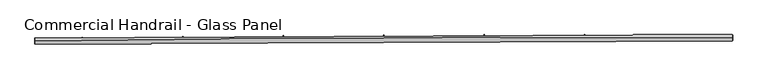
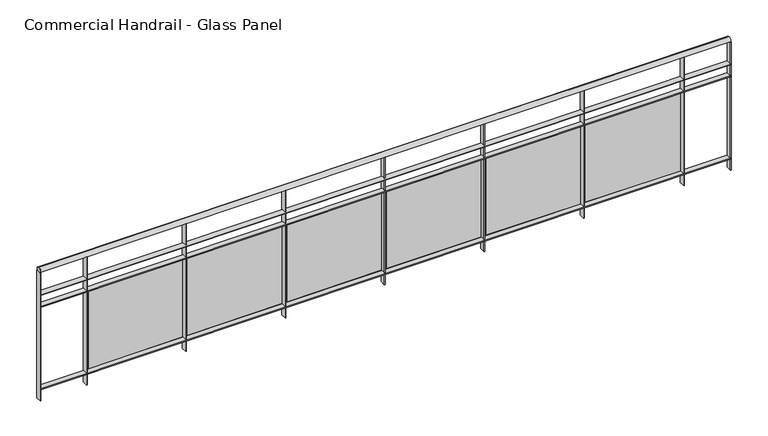
"""IFC4 building model written with IfcOpenShell, lengths in millimetres: railing geometry, Commercial Handrail - Glass Panel."""

from ifc_helpers import new_model, si_unit, point, frame, origin, place, context, project, spatial, polyline, circle_curve, ellipse_curve, trimmed, outline, extrude, source, transform, mapped, element, save
from ifc_brep_helpers import plane_surface, cylinder_surface, revolved_surface, advanced_brep


def commercial_handrail_glass_panel_66348fa7(model_context):
    return source(origin(), model_context, "Body", "SolidModel", [
        advanced_brep(
        [(99695.5207842, -31501.488128, 6082.5), (105244.6880932, -31476.3541341, 6082.5), (105244.6880932, -31476.3541341, 6117.5), (99695.5207842, -31501.488128, 6117.5)],
        [
            (0, 1, circle_curve(frame((103958.1605732, -360026.9365691, 6082.5), z_axis=(0.0, 0.0, -1.0), x_axis=(0.003915736953513462, 0.9999923334726676, 0.0)), 328553.1012963)),
            (1, 2, ellipse_curve(frame((105244.6880932, -31476.3541341, 6100.0), z_axis=(-0.9999923334726678, 0.003915736953507024, 0.0), x_axis=(0.003915736953507023, 0.9999923334726676, 0.0)), 25.0, 17.5)),
            (2, 3, circle_curve(frame((103958.1605732, -360026.9365691, 6117.5), z_axis=(0.0, 0.0, 1.0), x_axis=(0.003915736953513462, 0.9999923334726676, 0.0)), 328553.1012963)),
            (3, 0, ellipse_curve(frame((99695.5207842, -31501.488128, 6100.0), z_axis=(0.9999158344417998, 0.012973975202676302, 0.0), x_axis=(-0.012973975202676298, 0.9999158344417995, 0.0)), 25.0, 17.5)),
            (2, 1, ellipse_curve(frame((105244.6880932, -31476.3541341, 6100.0), z_axis=(-0.9999923334726678, 0.003915736953507024, 0.0), x_axis=(0.003915736953507023, 0.9999923334726676, 0.0)), 25.0, 17.5)),
            (0, 3, ellipse_curve(frame((99695.5207842, -31501.488128, 6100.0), z_axis=(0.9999158344417998, 0.012973975202676302, 0.0), x_axis=(-0.012973975202676298, 0.9999158344417995, 0.0)), 25.0, 17.5)),
        ],
        [
            revolved_surface(trimmed(ellipse_curve(frame((105244.6880932, -31476.3541341, 6100.0), z_axis=(0.9999923334726676, -0.003915736953513463, 0.0), x_axis=(0.0, 0.0, -1.0)), 17.5, 25.0), [point((105244.6880932, -31476.3541341, 6117.5))], [point((105244.6880932, -31476.3541341, 6082.5))], True, "CARTESIAN"), (103958.1605732, -360026.9365691, 6100.0), (0.0, 0.0, 1.0)),
            revolved_surface(trimmed(ellipse_curve(frame((105244.6880932, -31476.3541341, 6100.0), z_axis=(0.9999923334726676, -0.003915736953513463, 0.0), x_axis=(0.0, 0.0, -1.0)), 17.5, 25.0), [point((105244.6880932, -31476.3541341, 6082.5))], [point((105244.6880932, -31476.3541341, 6117.5))], True, "CARTESIAN"), (103958.1605732, -360026.9365691, 6100.0), (0.0, 0.0, 1.0)),
            plane_surface(frame((105244.6880932, -31476.3541341, 6100.0), z_axis=(0.9999923334726677, -0.003915736953513464, 0.0), x_axis=(0.003915736953513464, 0.9999923334726677, 0.0))),
            plane_surface(frame((99695.5207842, -31501.488128, 6100.0), z_axis=(-0.9999158344417997, -0.012973975202676328, 0.0), x_axis=(0.012973975202676328, -0.9999158344417997, 0.0))),
        ],
        [
            (0, [[1, 2, 3, 4]]),
            (1, [[-3, 5, -1, 6]]),
            (2, [[-2, -5]]),
            (3, [[-6, -4]]),
        ],
    ),
        advanced_brep(
        [(99695.8126987, -31523.9862342, 5900.0), (105244.5999891, -31498.8539616, 5900.0), (105244.7761972, -31453.8543066, 5900.0), (99695.2288698, -31478.9900217, 5900.0), (99695.8126987, -31523.9862342, 5894.0), (105244.5999891, -31498.8539616, 5894.0), (99695.2288698, -31478.9900217, 5894.0), (105244.7761972, -31453.8543066, 5894.0)],
        [
            (0, 1, circle_curve(frame((103958.1605732, -360026.9365691, 5900.0), z_axis=(0.0, 0.0, -1.0), x_axis=(0.003915736953513462, 0.9999923334726676, 0.0)), 328530.6012963)),
            (1, 2),
            (2, 3, circle_curve(frame((103958.1605732, -360026.9365691, 5900.0), z_axis=(0.0, 0.0, 1.0), x_axis=(0.003915736953513462, 0.9999923334726676, 0.0)), 328575.6012963)),
            (3, 0),
            (4, 5, circle_curve(frame((103958.1605732, -360026.9365691, 5894.0), z_axis=(0.0, 0.0, -1.0), x_axis=(0.003915736953513462, 0.9999923334726676, 0.0)), 328530.6012963)),
            (5, 1),
            (0, 4),
            (6, 7, circle_curve(frame((103958.1605732, -360026.9365691, 5894.0), z_axis=(0.0, 0.0, -1.0), x_axis=(0.003915736953513462, 0.9999923334726676, 0.0)), 328575.6012963)),
            (7, 5),
            (4, 6),
            (2, 7),
            (6, 3),
        ],
        [
            plane_surface(frame((103958.1605732, -360026.9365691, 5900.0), z_axis=(0.0, 0.0, 1.0000000000000002), x_axis=(0.003915736953513463, 0.9999923334726677, 0.0))),
            revolved_surface(polyline([(105244.59998905592, -31498.85396163439, 5900.0), (105244.59998905592, -31498.85396163439, 5894.0)]), (103958.1605732, -360026.9365691, 5900.0), (0.0, 0.0, 1.0)),
            plane_surface(frame((103958.1605732, -360026.9365691, 5894.0), z_axis=(0.0, 0.0, -1.0000000000000002), x_axis=(0.003915736953513463, 0.9999923334726677, 0.0))),
            cylinder_surface(frame((103958.1605732, -360026.9365691, 5900.0), z_axis=(0.0, 0.0, 1.0), x_axis=(0.003915736953513462, 0.9999923334726676, 0.0)), 328575.6012963),
            plane_surface(frame((105244.6880932, -31476.3541341, 5900.0), z_axis=(0.9999923334726677, -0.003915736953513464, 0.0), x_axis=(0.003915736953513464, 0.9999923334726677, 0.0))),
            plane_surface(frame((99695.5207842, -31501.488128, 5900.0), z_axis=(-0.9999158344417997, -0.012973975202676328, 0.0), x_axis=(0.012973975202676328, -0.9999158344417997, 0.0))),
        ],
        [
            (0, [[1, 2, 3, 4]]),
            (1, [[5, 6, -1, 7]]),
            (2, [[8, 9, -5, 10]]),
            (3, [[-3, 11, -8, 12]]),
            (4, [[-2, -6, -9, -11]]),
            (5, [[-12, -10, -7, -4]]),
        ],
    ),
        advanced_brep(
        [(99695.8126987, -31523.9862342, 5800.0), (105244.5999891, -31498.8539616, 5800.0), (105244.7761972, -31453.8543066, 5800.0), (99695.2288698, -31478.9900217, 5800.0), (99695.8126987, -31523.9862342, 5794.0), (105244.5999891, -31498.8539616, 5794.0), (99695.2288698, -31478.9900217, 5794.0), (105244.7761972, -31453.8543066, 5794.0)],
        [
            (0, 1, circle_curve(frame((103958.1605732, -360026.9365691, 5800.0), z_axis=(0.0, 0.0, -1.0), x_axis=(0.003915736953513462, 0.9999923334726676, 0.0)), 328530.6012963)),
            (1, 2),
            (2, 3, circle_curve(frame((103958.1605732, -360026.9365691, 5800.0), z_axis=(0.0, 0.0, 1.0), x_axis=(0.003915736953513462, 0.9999923334726676, 0.0)), 328575.6012963)),
            (3, 0),
            (4, 5, circle_curve(frame((103958.1605732, -360026.9365691, 5794.0), z_axis=(0.0, 0.0, -1.0), x_axis=(0.003915736953513462, 0.9999923334726676, 0.0)), 328530.6012963)),
            (5, 1),
            (0, 4),
            (6, 7, circle_curve(frame((103958.1605732, -360026.9365691, 5794.0), z_axis=(0.0, 0.0, -1.0), x_axis=(0.003915736953513462, 0.9999923334726676, 0.0)), 328575.6012963)),
            (7, 5),
            (4, 6),
            (2, 7),
            (6, 3),
        ],
        [
            plane_surface(frame((103958.1605732, -360026.9365691, 5800.0), z_axis=(0.0, 0.0, 1.0000000000000002), x_axis=(0.003915736953513463, 0.9999923334726677, 0.0))),
            revolved_surface(polyline([(105244.59998905592, -31498.85396163439, 5800.0), (105244.59998905592, -31498.85396163439, 5794.0)]), (103958.1605732, -360026.9365691, 5800.0), (0.0, 0.0, 1.0)),
            plane_surface(frame((103958.1605732, -360026.9365691, 5794.0), z_axis=(0.0, 0.0, -1.0000000000000002), x_axis=(0.003915736953513463, 0.9999923334726677, 0.0))),
            cylinder_surface(frame((103958.1605732, -360026.9365691, 5800.0), z_axis=(0.0, 0.0, 1.0), x_axis=(0.003915736953513462, 0.9999923334726676, 0.0)), 328575.6012963),
            plane_surface(frame((105244.6880932, -31476.3541341, 5800.0), z_axis=(0.9999923334726677, -0.003915736953513464, 0.0), x_axis=(0.003915736953513464, 0.9999923334726677, 0.0))),
            plane_surface(frame((99695.5207842, -31501.488128, 5800.0), z_axis=(-0.9999158344417997, -0.012973975202676328, 0.0), x_axis=(0.012973975202676328, -0.9999158344417997, 0.0))),
        ],
        [
            (0, [[1, 2, 3, 4]]),
            (1, [[5, 6, -1, 7]]),
            (2, [[8, 9, -5, 10]]),
            (3, [[-3, 11, -8, 12]]),
            (4, [[-2, -6, -9, -11]]),
            (5, [[-12, -10, -7, -4]]),
        ],
    ),
        advanced_brep(
        [(99695.8126987, -31523.9862342, 5100.0), (105244.5999891, -31498.8539616, 5100.0), (105244.7761972, -31453.8543066, 5100.0), (99695.2288698, -31478.9900217, 5100.0), (99695.8126987, -31523.9862342, 5094.0), (105244.5999891, -31498.8539616, 5094.0), (99695.2288698, -31478.9900217, 5094.0), (105244.7761972, -31453.8543066, 5094.0)],
        [
            (0, 1, circle_curve(frame((103958.1605732, -360026.9365691, 5100.0), z_axis=(0.0, 0.0, -1.0), x_axis=(0.003915736953513462, 0.9999923334726676, 0.0)), 328530.6012963)),
            (1, 2),
            (2, 3, circle_curve(frame((103958.1605732, -360026.9365691, 5100.0), z_axis=(0.0, 0.0, 1.0), x_axis=(0.003915736953513462, 0.9999923334726676, 0.0)), 328575.6012963)),
            (3, 0),
            (4, 5, circle_curve(frame((103958.1605732, -360026.9365691, 5094.0), z_axis=(0.0, 0.0, -1.0), x_axis=(0.003915736953513462, 0.9999923334726676, 0.0)), 328530.6012963)),
            (5, 1),
            (0, 4),
            (6, 7, circle_curve(frame((103958.1605732, -360026.9365691, 5094.0), z_axis=(0.0, 0.0, -1.0), x_axis=(0.003915736953513462, 0.9999923334726676, 0.0)), 328575.6012963)),
            (7, 5),
            (4, 6),
            (2, 7),
            (6, 3),
        ],
        [
            plane_surface(frame((103958.1605732, -360026.9365691, 5100.0), z_axis=(0.0, 0.0, 1.0000000000000002), x_axis=(0.003915736953513463, 0.9999923334726677, 0.0))),
            revolved_surface(polyline([(105244.59998905592, -31498.85396163439, 5100.0), (105244.59998905592, -31498.85396163439, 5094.0)]), (103958.1605732, -360026.9365691, 5100.0), (0.0, 0.0, 1.0)),
            plane_surface(frame((103958.1605732, -360026.9365691, 5094.0), z_axis=(0.0, 0.0, -1.0000000000000002), x_axis=(0.003915736953513463, 0.9999923334726677, 0.0))),
            cylinder_surface(frame((103958.1605732, -360026.9365691, 5100.0), z_axis=(0.0, 0.0, 1.0), x_axis=(0.003915736953513462, 0.9999923334726676, 0.0)), 328575.6012963),
            plane_surface(frame((105244.6880932, -31476.3541341, 5100.0), z_axis=(0.9999923334726677, -0.003915736953513464, 0.0), x_axis=(0.003915736953513464, 0.9999923334726677, 0.0))),
            plane_surface(frame((99695.5207842, -31501.488128, 5100.0), z_axis=(-0.9999158344417997, -0.012973975202676328, 0.0), x_axis=(0.012973975202676328, -0.9999158344417997, 0.0))),
        ],
        [
            (0, [[1, 2, 3, 4]]),
            (1, [[5, 6, -1, 7]]),
            (2, [[8, 9, -5, 10]]),
            (3, [[-3, 11, -8, 12]]),
            (4, [[-2, -6, -9, -11]]),
            (5, [[-12, -10, -7, -4]]),
        ],
    ),
        extrude(outline(polyline([(100072.870567, -31474.3071506), (100073.4030869, -31519.3039996), (100067.403507, -31519.3750023), (100066.8709872, -31474.3781533), (100072.870567, -31474.3071506)])), frame((0.0, 0.0, 5000.0), z_axis=(0.0, 0.0, 1.0), x_axis=(1.0, 0.0, 0.0)), (0.0, 0.0, 1.0), 1082.1192282),
        extrude(outline(polyline([(100850.1540943, -31494.3164749), (100090.1969245, -31502.3849334), (100090.0695278, -31490.3856097), (100850.0266976, -31482.3171512), (100850.1540943, -31494.3164749)])), frame((0.0, 0.0, 5120.0), z_axis=(0.0, 0.0, 1.0), x_axis=(1.0, 0.0, 0.0)), (0.0, 0.0, 1.0), 660.0),
        extrude(outline(polyline([(100872.8801451, -31465.8207612), (100873.3030999, -31510.8187735), (100867.3033649, -31510.8751675), (100866.8804102, -31465.8771552), (100872.8801451, -31465.8207612)])), frame((0.0, 0.0, 5000.0), z_axis=(0.0, 0.0, 1.0), x_axis=(1.0, 0.0, 0.0)), (0.0, 0.0, 1.0), 1082.1192282),
        extrude(outline(polyline([(101650.1126472, -31487.7226463), (100890.1380842, -31493.940649), (100890.0399052, -31481.9410507), (101650.0144682, -31475.723048), (101650.1126472, -31487.7226463)])), frame((0.0, 0.0, 5120.0), z_axis=(0.0, 0.0, 1.0), x_axis=(1.0, 0.0, 0.0)), (0.0, 0.0, 1.0), 660.0),
        extrude(outline(polyline([(101672.9080153, -31459.2823531), (101673.2214025, -31504.2812619), (101667.221548, -31504.3230468), (101666.9081608, -31459.3241381), (101672.9080153, -31459.2823531)])), frame((0.0, 0.0, 5000.0), z_axis=(0.0, 0.0, 1.0), x_axis=(1.0, 0.0, 0.0)), (0.0, 0.0, 1.0), 1082.1192282),
        extrude(outline(polyline([(102450.0848841, -31483.0766692), (101690.0974336, -31487.4441792), (101690.028473, -31475.4443774), (102450.0159234, -31471.0768673), (102450.0848841, -31483.0766692)])), frame((0.0, 0.0, 5120.0), z_axis=(0.0, 0.0, 1.0), x_axis=(1.0, 0.0, 0.0)), (0.0, 0.0, 1.0), 660.0),
        extrude(outline(polyline([(102472.9494344, -31454.6919651), (102473.153252, -31499.6915035), (102467.1533136, -31499.7186792), (102466.9494959, -31454.7191408), (102472.9494344, -31454.6919651)])), frame((0.0, 0.0, 5000.0), z_axis=(0.0, 0.0, 1.0), x_axis=(1.0, 0.0, 0.0)), (0.0, 0.0, 1.0), 1082.1192282),
        extrude(outline(polyline([(103250.0660621, -31480.378571), (102490.0702301, -31482.8955625), (102490.0304881, -31470.8956283), (103250.0263202, -31468.3786368), (103250.0660621, -31480.378571)])), frame((0.0, 0.0, 5120.0), z_axis=(0.0, 0.0, 1.0), x_axis=(1.0, 0.0, 0.0)), (0.0, 0.0, 1.0), 660.0),
        extrude(outline(polyline([(103272.999659, -31452.0496243), (103273.0939059, -31497.0495257), (103267.0939191, -31497.0620919), (103266.9996722, -31452.0621906), (103272.999659, -31452.0496243)])), frame((0.0, 0.0, 5000.0), z_axis=(0.0, 0.0, 1.0), x_axis=(1.0, 0.0, 0.0)), (0.0, 0.0, 1.0), 1082.1192282),
        extrude(outline(polyline([(104050.0514383, -31479.6283679), (103290.0517305, -31480.2948258), (103290.0412075, -31468.2948304), (104050.0409153, -31467.6283725), (104050.0514383, -31479.6283679)])), frame((0.0, 0.0, 5120.0), z_axis=(0.0, 0.0, 1.0), x_axis=(1.0, 0.0, 0.0)), (0.0, 0.0, 1.0), 660.0),
        extrude(outline(polyline([(104073.0539458, -31451.3553465), (104073.0386215, -31496.3553439), (104067.0386218, -31496.3533007), (104067.0539462, -31451.3533033), (104073.0539458, -31451.3553465)])), frame((0.0, 0.0, 5000.0), z_axis=(0.0, 0.0, 1.0), x_axis=(1.0, 0.0, 0.0)), (0.0, 0.0, 1.0), 1082.1192282),
        extrude(outline(polyline([(104850.0362697, -31480.8260641), (104090.0371921, -31479.6419846), (104090.0558881, -31467.6419992), (104850.0549657, -31468.8260787), (104850.0362697, -31480.8260641)])), frame((0.0, 0.0, 5120.0), z_axis=(0.0, 0.0, 1.0), x_axis=(1.0, 0.0, 0.0)), (0.0, 0.0, 1.0), 660.0),
        extrude(outline(polyline([(104873.1075514, -31452.6091358), (104872.9826559, -31497.6089625), (104866.9826791, -31497.5923097), (104867.1075746, -31452.592483), (104873.1075514, -31452.6091358)])), frame((0.0, 0.0, 5000.0), z_axis=(0.0, 0.0, 1.0), x_axis=(1.0, 0.0, 0.0)), (0.0, 0.0, 1.0), 1082.1192282),
        extrude(outline(polyline([(99698.2286173, -31478.9510998), (99698.8124462, -31523.9473123), (99692.8129512, -31524.0251562), (99692.2291223, -31479.0289436), (99698.2286173, -31478.9510998)])), frame((0.0, 0.0, 5000.0), z_axis=(0.0, 0.0, 1.0), x_axis=(1.0, 0.0, 0.0)), (0.0, 0.0, 1.0), 1082.1192282),
        extrude(outline(polyline([(105247.7761742, -31453.8660538), (105247.5999661, -31498.8657088), (105241.6000121, -31498.8422144), (105241.7762202, -31453.8425594), (105247.7761742, -31453.8660538)])), frame((0.0, 0.0, 5000.0), z_axis=(0.0, 0.0, 1.0), x_axis=(1.0, 0.0, 0.0)), (0.0, 0.0, 1.0), 1082.1192282),
    ])


if __name__ == "__main__":
    model = new_model("IFC4")
    model_context = context("Model", 3, world=origin())
    ifc_project = project(units=[si_unit("LENGTHUNIT", "METRE", prefix="MILLI")], contexts=[model_context])
    site = spatial("IfcSite", under=ifc_project)
    building = spatial("IfcBuilding", under=site)
    placement = place(None, origin())
    commercial_handrail_glass_panel_shape = commercial_handrail_glass_panel_66348fa7(model_context)
    element("IfcRailing", 1, ObjectType="Commercial Handrail - Glass Panel", at=placement, inside=building, context=model_context, shape_type="MappedRepresentation", body=[
        mapped(commercial_handrail_glass_panel_shape, transform((0.0, 0.0, 0.0), x_axis=(1.0, 0.0, 0.0), y_axis=(0.0, 1.0, 0.0), z_axis=(0.0, 0.0, 1.0))),
    ])
    save(model, "model.ifc")
